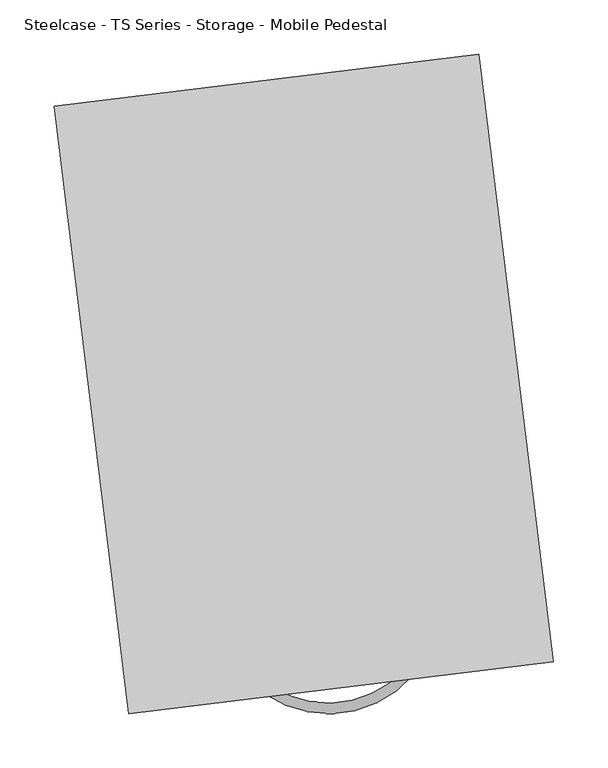
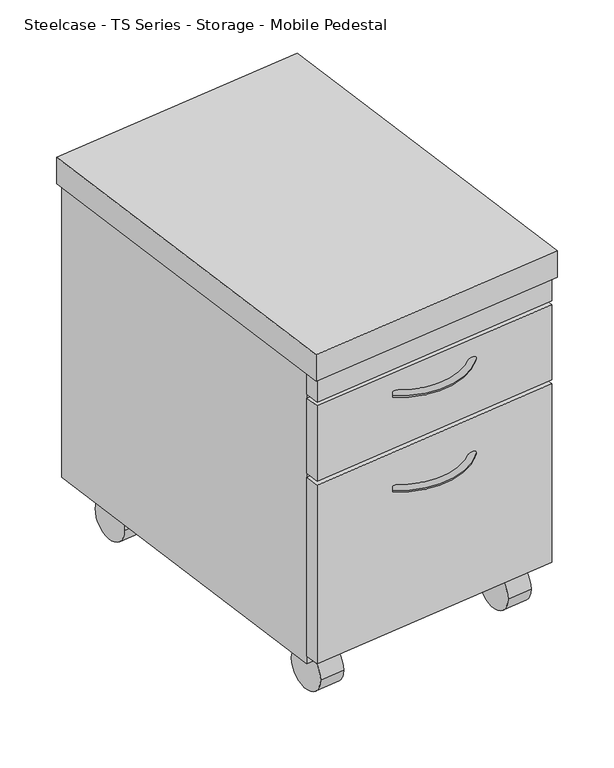
"""IFC4 building model written with IfcOpenShell, lengths in millimetres: furniture geometry, Steelcase - TS Series - Storage - Mobile Pedestal."""

from ifc_helpers import new_model, si_unit, point, frame, frame_2d, origin, place, context, project, spatial, polyline, circle_curve, ellipse_curve, trimmed, segment, composite_curve, outline, extrude, source, transform, mapped, element, save
from ifc_brep_helpers import plane_surface, revolved_surface, advanced_brep


def steelcase_ts_series_storage_mobile_pedestal_f1b3eb82(model_context):
    return source(origin(), model_context, "Body", "SolidModel", [
        extrude(outline(composite_curve([segment(trimmed(circle_curve(frame_2d((0.0, -31.75)), 31.75), [point((0.0, -63.5))], [point((0.0, 0.0))], False, "CARTESIAN"), True, "CONTINUOUS"), segment(trimmed(circle_curve(frame_2d((0.0, -31.75)), 31.75), [point((0.0, 0.0))], [point((0.0, -63.5))], False, "CARTESIAN"), True, "CONTINUOUS")], self_intersect=False)), frame((1042.6217539, -1640.716078, 42.1826087), z_axis=(0.9925461516413229, 0.12186934340514136, 0.0), x_axis=(0.0, 0.0, 1.0)), (0.0, 0.0, 1.0), 37.846),
        extrude(outline(composite_curve([segment(trimmed(circle_curve(frame_2d((0.0, -458.8510291)), 31.75), [point((0.0, -490.6010291))], [point((0.0, -427.101029))], False, "CARTESIAN"), True, "CONTINUOUS"), segment(trimmed(circle_curve(frame_2d((0.0, -458.8510291)), 31.75), [point((0.0, -427.101029))], [point((0.0, -490.6010291))], False, "CARTESIAN"), True, "CONTINUOUS")], self_intersect=False)), frame((1042.6217539, -1640.716078, 42.1826087), z_axis=(0.9925461516413229, 0.12186934340514136, 0.0), x_axis=(0.0, 0.0, 1.0)), (0.0, 0.0, 1.0), 37.846),
        advanced_brep(
        [(841.499354, -1686.5609294, 465.5346215), (846.873069, -1678.6260027, 465.5346215), (978.9698154, -1668.191219, 465.5346215), (971.7012081, -1661.9456428, 465.5346215)],
        [
            (0, 1, circle_curve(frame((844.1862115, -1682.5934661, 465.5346215), z_axis=(-0.8279941733117524, 0.5607367019928233, 0.0), x_axis=(0.5607367019928232, 0.8279941733117522, 0.0)), 4.7916562)),
            (1, 0, circle_curve(frame((844.1862115, -1682.5934661, 465.5346215), z_axis=(-0.8279941733117524, 0.5607367019928233, 0.0), x_axis=(0.5607367019928232, 0.8279941733117522, 0.0)), 4.7916562)),
            (2, 3, circle_curve(frame((975.3355118, -1665.0684309, 465.5346215), z_axis=(0.6517137292885716, 0.7584650387834514, 0.0), x_axis=(-0.7584650387834517, 0.6517137292885716, 0.0)), 4.7916562)),
            (3, 2, circle_curve(frame((975.3355118, -1665.0684309, 465.5346215), z_axis=(0.6517137292885716, 0.7584650387834514, 0.0), x_axis=(-0.7584650387834517, 0.6517137292885716, 0.0)), 4.7916562)),
            (3, 1, circle_curve(frame((899.9322159, -1600.277886, 465.5346215), z_axis=(0.0, 0.0, -1.0), x_axis=(-0.5607367019928226, -0.8279941733117526, 0.0)), 94.6239952)),
            (0, 2, circle_curve(frame((899.9322159, -1600.277886, 465.5346215), z_axis=(0.0, 0.0, 1.0), x_axis=(-0.5607367019928226, -0.8279941733117526, 0.0)), 104.2073075)),
        ],
        [
            plane_surface(frame((843.9196854, -1682.9870234, 152.5934276), z_axis=(-0.8279941733117526, 0.5607367019928227, 0.0), x_axis=(0.0, 0.0, 1.0))),
            plane_surface(frame((975.6960209, -1665.3781997, 152.5934276), z_axis=(0.651713729288571, 0.7584650387834521, 0.0), x_axis=(0.0, 0.0, 1.0))),
            revolved_surface(trimmed(ellipse_curve(frame((844.1862115, -1682.5934661, 465.5346215), z_axis=(-0.8279941733117524, 0.5607367019928233, 0.0), x_axis=(0.5607367019928232, 0.8279941733117522, 0.0)), 4.7916562, 4.7916562), [point((841.499354, -1686.5609294, 465.5346215))], [point((846.873069, -1678.6260027, 465.5346215))], True, "CARTESIAN"), (899.9322159, -1600.277886, 152.5934276), (0.0, 0.0, 1.0000000000000002)),
            revolved_surface(trimmed(ellipse_curve(frame((844.1862115, -1682.5934661, 465.5346215), z_axis=(-0.8279941733117524, 0.5607367019928233, 0.0), x_axis=(0.5607367019928232, 0.8279941733117522, 0.0)), 4.7916562, 4.7916562), [point((846.873069, -1678.6260027, 465.5346215))], [point((841.499354, -1686.5609294, 465.5346215))], True, "CARTESIAN"), (899.9322159, -1600.277886, 152.5934276), (0.0, 0.0, 1.0000000000000002)),
        ],
        [
            (0, [[1, 2]]),
            (1, [[3, 4]]),
            (2, [[5, -1, 6, -4]]),
            (3, [[-6, -2, -5, -3]]),
        ],
    ),
        advanced_brep(
        [(841.499354, -1686.5609294, 314.2489478), (846.873069, -1678.6260027, 314.2489478), (978.9698154, -1668.191219, 314.2489478), (971.7012081, -1661.9456428, 314.2489478)],
        [
            (0, 1, circle_curve(frame((844.1862115, -1682.5934661, 314.2489478), z_axis=(-0.8279941733117524, 0.5607367019928233, 0.0), x_axis=(0.5607367019928232, 0.8279941733117522, 0.0)), 4.7916562)),
            (1, 0, circle_curve(frame((844.1862115, -1682.5934661, 314.2489478), z_axis=(-0.8279941733117524, 0.5607367019928233, 0.0), x_axis=(0.5607367019928232, 0.8279941733117522, 0.0)), 4.7916562)),
            (2, 3, circle_curve(frame((975.3355118, -1665.0684309, 314.2489478), z_axis=(0.6517137292885716, 0.7584650387834514, 0.0), x_axis=(-0.7584650387834517, 0.6517137292885716, 0.0)), 4.7916562)),
            (3, 2, circle_curve(frame((975.3355118, -1665.0684309, 314.2489478), z_axis=(0.6517137292885716, 0.7584650387834514, 0.0), x_axis=(-0.7584650387834517, 0.6517137292885716, 0.0)), 4.7916562)),
            (3, 1, circle_curve(frame((899.9322159, -1600.277886, 314.2489478), z_axis=(0.0, 0.0, -1.0), x_axis=(-0.5607367019928226, -0.8279941733117526, 0.0)), 94.6239952)),
            (0, 2, circle_curve(frame((899.9322159, -1600.277886, 314.2489478), z_axis=(0.0, 0.0, 1.0), x_axis=(-0.5607367019928226, -0.8279941733117526, 0.0)), 104.2073075)),
        ],
        [
            plane_surface(frame((843.9196854, -1682.9870234, 1.3077539), z_axis=(-0.8279941733117526, 0.5607367019928227, 0.0), x_axis=(0.0, 0.0, 1.0))),
            plane_surface(frame((975.6960209, -1665.3781997, 1.3077539), z_axis=(0.651713729288571, 0.7584650387834521, 0.0), x_axis=(0.0, 0.0, 1.0))),
            revolved_surface(trimmed(ellipse_curve(frame((844.1862115, -1682.5934661, 314.2489478), z_axis=(-0.8279941733117524, 0.5607367019928233, 0.0), x_axis=(0.5607367019928232, 0.8279941733117522, 0.0)), 4.7916562, 4.7916562), [point((841.499354, -1686.5609294, 314.2489478))], [point((846.873069, -1678.6260027, 314.2489478))], True, "CARTESIAN"), (899.9322159, -1600.277886, 1.3077539), (0.0, 0.0, 1.0000000000000002)),
            revolved_surface(trimmed(ellipse_curve(frame((844.1862115, -1682.5934661, 314.2489478), z_axis=(-0.8279941733117524, 0.5607367019928233, 0.0), x_axis=(0.5607367019928232, 0.8279941733117522, 0.0)), 4.7916562, 4.7916562), [point((846.873069, -1678.6260027, 314.2489478))], [point((841.499354, -1686.5609294, 314.2489478))], True, "CARTESIAN"), (899.9322159, -1600.277886, 1.3077539), (0.0, 0.0, 1.0000000000000002)),
        ],
        [
            (0, [[1, 2]]),
            (1, [[3, 4]]),
            (2, [[5, -1, 6, -4]]),
            (3, [[-6, -2, -5, -3]]),
        ],
    ),
        extrude(outline(composite_curve([segment(trimmed(circle_curve(frame_2d((0.0, -31.75)), 31.75), [point((0.0, -63.5))], [point((0.0, 0.0))], False, "CARTESIAN"), True, "CONTINUOUS"), segment(trimmed(circle_curve(frame_2d((0.0, -31.75)), 31.75), [point((0.0, 0.0))], [point((0.0, -63.5))], False, "CARTESIAN"), True, "CONTINUOUS")], self_intersect=False)), frame((737.4969727, -1678.1806903, 42.1826087), z_axis=(0.9925461516413229, 0.12186934340514136, 0.0), x_axis=(0.0, 0.0, 1.0)), (0.0, 0.0, 1.0), 37.9539166),
        extrude(outline(composite_curve([segment(trimmed(circle_curve(frame_2d((0.0, -458.8510291)), 31.75), [point((0.0, -490.6010291))], [point((0.0, -427.1010291))], False, "CARTESIAN"), True, "CONTINUOUS"), segment(trimmed(circle_curve(frame_2d((0.0, -458.8510291)), 31.75), [point((0.0, -427.1010291))], [point((0.0, -490.6010291))], False, "CARTESIAN"), True, "CONTINUOUS")], self_intersect=False)), frame((737.4969727, -1678.1806903, 42.1826087), z_axis=(0.9925461516413229, 0.12186934340514136, 0.0), x_axis=(0.0, 0.0, 1.0)), (0.0, 0.0, 1.0), 37.9539166),
        extrude(outline(polyline([(1102.1558622, -1652.2609899), (720.0881313, -1699.1730085), (717.3795816, -1677.1136414), (1099.4473125, -1630.2016228), (1102.1558622, -1652.2609899)])), frame((0.0, 0.0, 379.2406087), z_axis=(0.0, 0.0, 1.0), x_axis=(1.0, 0.0, 0.0)), (0.0, 0.0, 1.0), 120.142),
        extrude(outline(polyline([(1102.1558622, -1652.2609899), (720.0881313, -1699.1730085), (717.3795816, -1677.1136414), (1099.4473125, -1630.2016228), (1102.1558622, -1652.2609899)])), frame((0.0, 0.0, 87.1406087), z_axis=(0.0, 0.0, 1.0), x_axis=(1.0, 0.0, 0.0)), (0.0, 0.0, 1.0), 285.75),
        extrude(outline(polyline([(1102.1558622, -1652.2609899), (720.0881313, -1699.1730085), (717.3795816, -1677.1136414), (1099.4473125, -1630.2016228), (1102.1558622, -1652.2609899)])), frame((0.0, 0.0, 505.7326087), z_axis=(0.0, 0.0, 1.0), x_axis=(1.0, 0.0, 0.0)), (0.0, 0.0, 1.0), 38.1),
        extrude(outline(polyline([(1034.4422047, -1100.7775056), (1099.4473125, -1630.2016228), (717.3795816, -1677.1136414), (652.3744738, -1147.6895241), (1034.4422047, -1100.7775056)])), frame((0.0, 0.0, 74.4406087), z_axis=(0.0, 0.0, 1.0), x_axis=(1.0, 0.0, 0.0)), (0.0, 0.0, 1.0), 469.392),
        extrude(outline(polyline([(1038.9039364, -1095.4314082), (1107.7783994, -1656.3688947), (715.6263996, -1704.5191058), (646.7519366, -1143.5816193), (1038.9039364, -1095.4314082)])), frame((0.0, 0.0, 543.8326087), z_axis=(0.0, 0.0, 1.0), x_axis=(1.0, 0.0, 0.0)), (0.0, 0.0, 1.0), 41.91),
    ])


if __name__ == "__main__":
    model = new_model("IFC4")
    model_context = context("Model", 3, world=origin())
    ifc_project = project(units=[si_unit("LENGTHUNIT", "METRE", prefix="MILLI")], contexts=[model_context])
    site = spatial("IfcSite", under=ifc_project)
    building = spatial("IfcBuilding", under=site)
    placement = place(None, origin())
    steelcase_ts_series_storage_mobile_pedestal_shape = steelcase_ts_series_storage_mobile_pedestal_f1b3eb82(model_context)
    element("IfcFurniture", 1, ObjectType="Steelcase - TS Series - Storage - Mobile Pedestal", at=placement, inside=building, context=model_context, shape_type="MappedRepresentation", body=[
        mapped(steelcase_ts_series_storage_mobile_pedestal_shape, transform((0.0, 0.0, 0.0), x_axis=(1.0, 0.0, 0.0), y_axis=(0.0, 1.0, 0.0), z_axis=(0.0, 0.0, 1.0))),
    ])
    save(model, "model.ifc")
